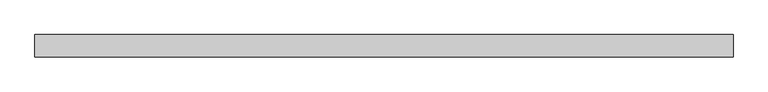
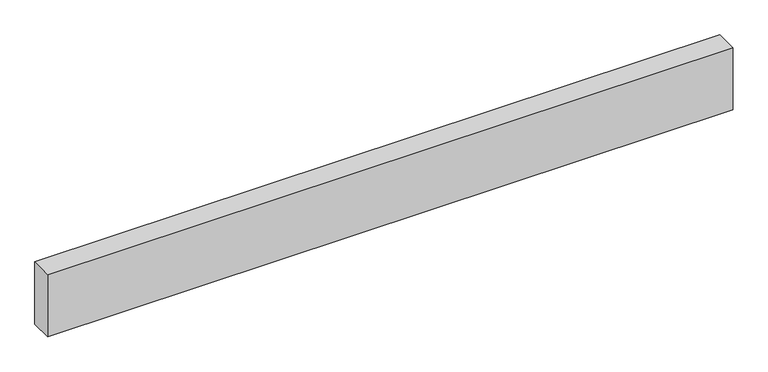
"""IFC4 building model written with IfcOpenShell, lengths in millimetres: proxy geometry."""

from ifc_helpers import new_model, si_unit, origin, origin_with_axes, place, context, project, spatial, polyline, outline, extrude, source, transform, mapped, element, save


def generic_models_f2d47202(model_context):
    return source(origin(), model_context, "Body", "SweptSolid", [
        extrude(outline(polyline([(3117.0980107, 0.0), (3117.0980107, -100.0), (0.0, -100.0), (0.0, 0.0), (3117.0980107, 0.0)])), origin_with_axes(), (0.0, 0.0, 1.0), 300.0),
    ])


if __name__ == "__main__":
    model = new_model("IFC4")
    model_context = context("Model", 3, world=origin())
    ifc_project = project(units=[si_unit("LENGTHUNIT", "METRE", prefix="MILLI")], contexts=[model_context])
    site = spatial("IfcSite", under=ifc_project)
    building = spatial("IfcBuilding", under=site)
    placement = place(None, origin())
    generic_models_shape = generic_models_f2d47202(model_context)
    element("IfcBuildingElementProxy", 1, Name="Generic Models", at=placement, inside=building, context=model_context, shape_type="MappedRepresentation", body=[
        mapped(generic_models_shape, transform((0.0, 0.0, 0.0), x_axis=(1.0, 0.0, 0.0), y_axis=(0.0, 1.0, 0.0), z_axis=(0.0, 0.0, 1.0))),
    ])
    save(model, "model.ifc")
